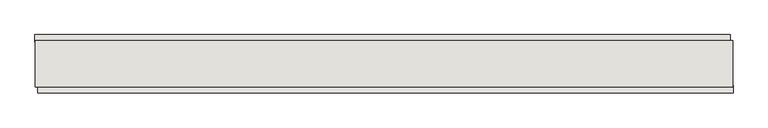
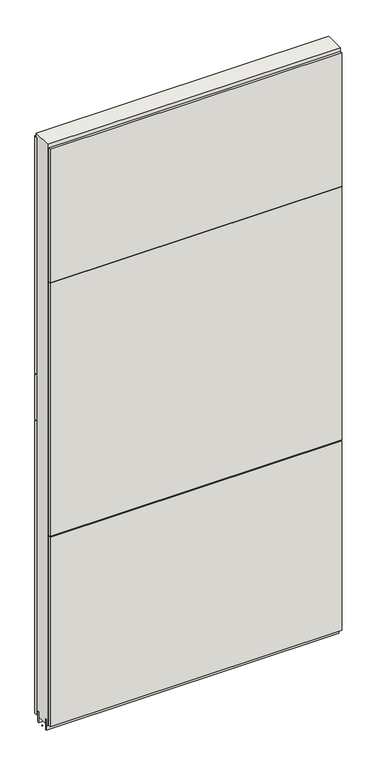
"""IFC4 building model written with IfcOpenShell, lengths in millimetres: wall geometry."""

from ifc_helpers import new_model, si_unit, frame, origin, place, context, project, spatial, polyline, outline, extrude, source, transform, mapped, element, save


def wall_0382d2f0(model_context):
    return source(origin(), model_context, "Body", "SweptSolid", [
        extrude(outline(polyline([(41663.62, -53666.130793), (41661.08, -53666.130793), (41661.08, -53663.590793), (41663.62, -53663.590793), (41663.62, -53666.130793)])), frame((0.0, 0.0, 4419.6), z_axis=(0.0, 0.0, 1.0), x_axis=(1.0, 0.0, 0.0)), (0.0, 0.0, 1.0), 2.54),
        extrude(outline(polyline([(41660.613783, -53614.0669906), (42875.813791, -53614.0669906), (42875.813791, -53626.7669906), (41660.613783, -53626.7669906), (41660.613783, -53614.0669906)])), frame((0.0, 0.0, 5945.6000722), z_axis=(0.0, 0.0, 1.0), x_axis=(1.0, 0.0, 0.0)), (0.0, 0.0, 1.0), 1044.449905),
        extrude(outline(polyline([(41660.613783, -53614.0669906), (42875.813791, -53614.0669906), (42875.813791, -53626.7669906), (41660.613783, -53626.7669906), (41660.613783, -53614.0669906)])), frame((0.0, 0.0, 5742.3999706), z_axis=(0.0, 0.0, 1.0), x_axis=(1.0, 0.0, 0.0)), (0.0, 0.0, 1.0), 199.2000512),
        extrude(outline(polyline([(41660.613783, -53614.0669906), (42875.813791, -53614.0669906), (42875.813791, -53626.7669906), (41660.613783, -53626.7669906), (41660.613783, -53614.0669906)])), frame((0.0, 0.0, 4445.0), z_axis=(0.0, 0.0, 1.0), x_axis=(1.0, 0.0, 0.0)), (0.0, 0.0, 1.0), 1293.400004),
        extrude(outline(polyline([(42880.7437278, -53715.6669906), (41665.5437198, -53715.6669906), (41665.5437198, -53702.9669906), (42880.7437278, -53702.9669906), (42880.7437278, -53715.6669906)])), frame((0.0, 0.0, 6402.8000722), z_axis=(0.0, 0.0, 1.0), x_axis=(1.0, 0.0, 0.0)), (0.0, 0.0, 1.0), 587.2498034),
        extrude(outline(polyline([(42880.7437278, -53715.6669906), (41665.5437198, -53715.6669906), (41665.5437198, -53702.9669906), (42880.7437278, -53702.9669906), (42880.7437278, -53715.6669906)])), frame((0.0, 0.0, 5285.2000722), z_axis=(0.0, 0.0, 1.0), x_axis=(1.0, 0.0, 0.0)), (0.0, 0.0, 1.0), 1113.5999572),
        extrude(outline(polyline([(42880.7437278, -53715.6669906), (41665.5437198, -53715.6669906), (41665.5437198, -53702.9669906), (42880.7437278, -53702.9669906), (42880.7437278, -53715.6669906)])), frame((0.0, 0.0, 4445.0), z_axis=(0.0, 0.0, 1.0), x_axis=(1.0, 0.0, 0.0)), (0.0, 0.0, 1.0), 836.200004),
        extrude(outline(polyline([(42880.2787554, -53639.7708508), (41661.0787554, -53639.7708508), (41661.0787554, -53634.6920954), (42880.2787554, -53634.6920954), (42880.2787554, -53639.7708508)])), frame((0.0, 0.0, 4418.6602), z_axis=(0.0, 0.0, 1.0), x_axis=(1.0, 0.0, 0.0)), (0.0, 0.0, 1.0), 47.625),
        extrude(outline(polyline([(42880.2787554, -53639.7708508), (41661.0787554, -53639.7708508), (41661.0787554, -53634.6920954), (42880.2787554, -53634.6920954), (42880.2787554, -53639.7708508)])), frame((0.0, 0.0, 4418.6602), z_axis=(0.0, 0.0, 1.0), x_axis=(1.0, 0.0, 0.0)), (0.0, 0.0, 1.0), 47.625),
        extrude(outline(polyline([(41661.0787554, -53689.93834), (42880.2787554, -53689.93834), (42880.2787554, -53695.0170954), (41661.0787554, -53695.0170954), (41661.0787554, -53689.93834)])), frame((0.0, 0.0, 4418.6602), z_axis=(0.0, 0.0, 1.0), x_axis=(1.0, 0.0, 0.0)), (0.0, 0.0, 1.0), 47.625),
        extrude(outline(polyline([(41661.0787554, -53689.93834), (42880.2787554, -53689.93834), (42880.2787554, -53695.0170954), (41661.0787554, -53695.0170954), (41661.0787554, -53689.93834)])), frame((0.0, 0.0, 4418.6602), z_axis=(0.0, 0.0, 1.0), x_axis=(1.0, 0.0, 0.0)), (0.0, 0.0, 1.0), 47.625),
        extrude(outline(polyline([(42880.2787554, -53624.2245014), (42880.2787554, -53705.5032822), (41661.0787554, -53705.5032822), (41661.0787554, -53624.2245014), (42880.2787554, -53624.2245014)])), frame((0.0, 0.0, 4445.0), z_axis=(0.0, 0.0, 1.0), x_axis=(1.0, 0.0, 0.0)), (0.0, 0.0, 1.0), 2562.4536762),
    ])


if __name__ == "__main__":
    model = new_model("IFC4")
    model_context = context("Model", 3, world=origin())
    ifc_project = project(units=[si_unit("LENGTHUNIT", "METRE", prefix="MILLI")], contexts=[model_context])
    site = spatial("IfcSite", under=ifc_project)
    building = spatial("IfcBuilding", under=site)
    placement = place(None, origin())
    wall_shape = wall_0382d2f0(model_context)
    element("IfcWall", 1, at=placement, inside=building, context=model_context, shape_type="MappedRepresentation", body=[
        mapped(wall_shape, transform((0.0, 0.0, 0.0), x_axis=(1.0, 0.0, 0.0), y_axis=(0.0, 1.0, 0.0), z_axis=(0.0, 0.0, 1.0))),
    ])
    save(model, "model.ifc")
